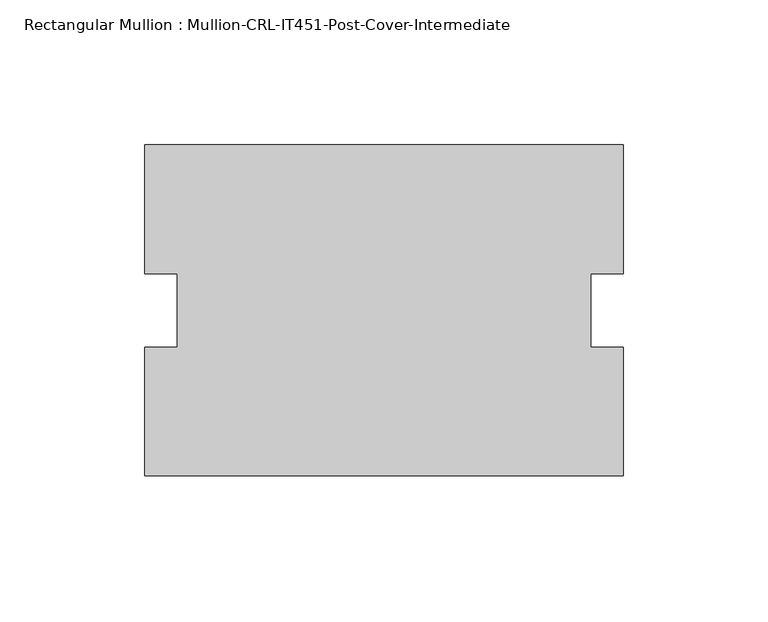
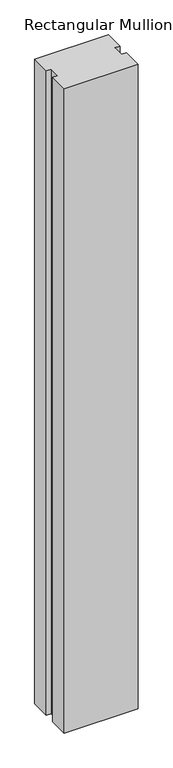
"""IFC4 building model written with IfcOpenShell, lengths in millimetres: member geometry, Rectangular Mullion : Mullion-CRL-IT451-Post-Cover-Intermediate."""

from ifc_helpers import new_model, si_unit, frame, origin, place, context, project, spatial, polyline, outline, extrude, source, transform, mapped, element, save


def rectangular_mullion_mullion_crl_it451_post_cover_c1e53c80(model_context):
    return source(origin(), model_context, "Body", "SweptSolid", [
        extrude(outline(polyline([(82.55, -57.15), (-82.55, -57.15), (-82.55, -12.7), (-71.4375, -12.7), (-71.4375, 12.7), (-82.55, 12.7), (-82.55, 57.15), (82.55, 57.15), (82.55, 12.7), (71.4375, 12.7), (71.4375, -12.7), (82.55, -12.7), (82.55, -57.15)])), frame((0.0, 0.0, -1524.0), z_axis=(0.0, 0.0, 1.0), x_axis=(1.0, 0.0, 0.0)), (0.0, 0.0, 1.0), 1524.0),
    ])


if __name__ == "__main__":
    model = new_model("IFC4")
    model_context = context("Model", 3, world=origin())
    ifc_project = project(units=[si_unit("LENGTHUNIT", "METRE", prefix="MILLI")], contexts=[model_context])
    site = spatial("IfcSite", under=ifc_project)
    building = spatial("IfcBuilding", under=site)
    placement = place(None, origin())
    rectangular_mullion_mullion_crl_it451_post_cover_shape = rectangular_mullion_mullion_crl_it451_post_cover_c1e53c80(model_context)
    element("IfcMember", 1, ObjectType="Rectangular Mullion : Mullion-CRL-IT451-Post-Cover-Intermediate", at=placement, inside=building, context=model_context, shape_type="MappedRepresentation", body=[
        mapped(rectangular_mullion_mullion_crl_it451_post_cover_shape, transform((0.0, 0.0, 0.0), x_axis=(1.0, 0.0, 0.0), y_axis=(0.0, 1.0, 0.0), z_axis=(0.0, 0.0, 1.0))),
    ])
    save(model, "model.ifc")
